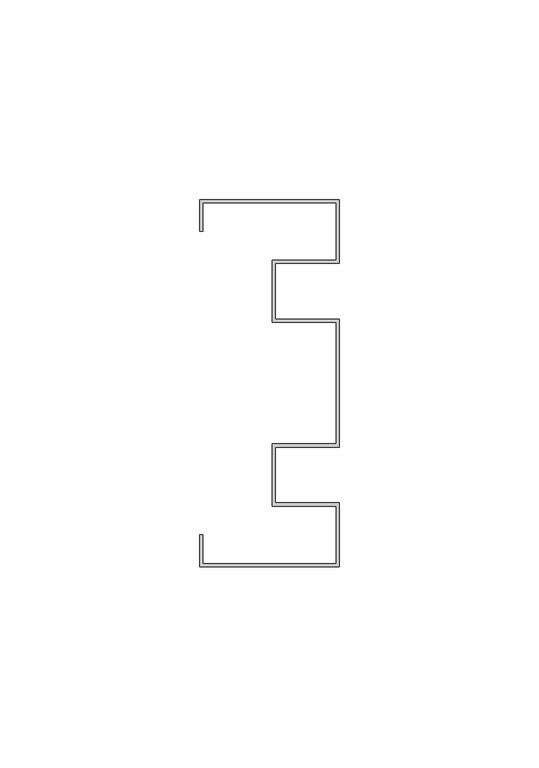
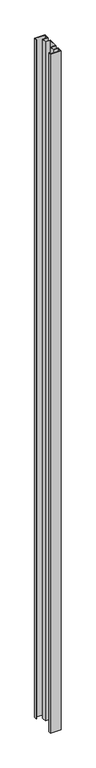
"""IFC4 building model written with IfcOpenShell, lengths in millimetres: proxy geometry."""

from ifc_helpers import new_model, si_unit, origin, origin_with_axes, place, context, project, spatial, polyline, outline, extrude, source, transform, mapped, element, save


def generic_models_32097fdc(model_context):
    return source(origin(), model_context, "Body", "SweptSolid", [
        extrude(outline(polyline([(17.5, 46.0), (17.5, 30.0), (1.4760715, 30.0), (1.4760715, 16.0), (17.5, 16.0), (17.5, -16.0), (1.5, -16.0), (1.5, -30.0), (17.5, -30.0), (17.5, -46.0), (-17.5, -46.0), (-17.5, -38.0), (-16.7, -38.0), (-16.7, -45.2033065), (16.7, -45.2033065), (16.7, -30.8), (0.7, -30.8), (0.7, -15.2), (16.7, -15.2), (16.7, 15.2), (0.7060899, 15.2), (0.7060899, 30.8), (16.7, 30.8), (16.7, 45.2), (-16.7, 45.2), (-16.7, 38.0166256), (-17.5, 38.0166256), (-17.5, 46.0), (17.5, 46.0)])), origin_with_axes(), (0.0, 0.0, 1.0), 2400.0),
    ])


if __name__ == "__main__":
    model = new_model("IFC4")
    model_context = context("Model", 3, world=origin())
    ifc_project = project(units=[si_unit("LENGTHUNIT", "METRE", prefix="MILLI")], contexts=[model_context])
    site = spatial("IfcSite", under=ifc_project)
    building = spatial("IfcBuilding", under=site)
    placement = place(None, origin())
    generic_models_shape = generic_models_32097fdc(model_context)
    element("IfcBuildingElementProxy", 1, Name="Generic Models", at=placement, inside=building, context=model_context, shape_type="MappedRepresentation", body=[
        mapped(generic_models_shape, transform((0.0, 0.0, 0.0), x_axis=(1.0, 0.0, 0.0), y_axis=(0.0, 1.0, 0.0), z_axis=(0.0, 0.0, 1.0))),
    ])
    save(model, "model.ifc")
